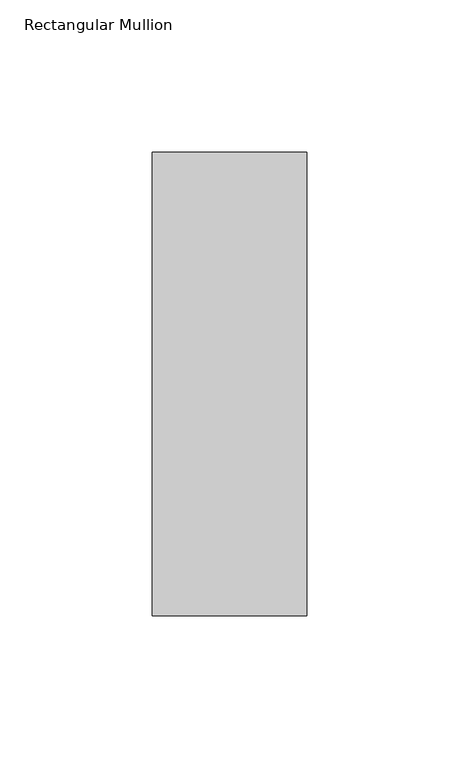
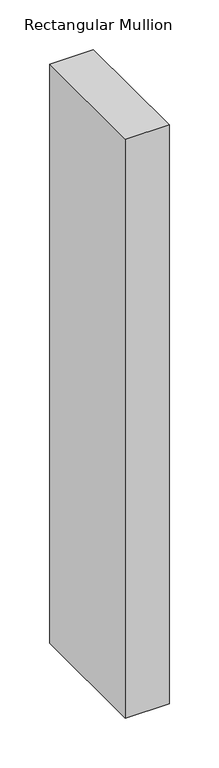
"""IFC4 building model written with IfcOpenShell, lengths in millimetres: member geometry, Rectangular Mullion."""

from ifc_helpers import new_model, si_unit, frame, origin, place, context, project, spatial, polyline, outline, extrude, source, transform, mapped, element, save


def rectangular_mullion_df243f97(model_context):
    return source(origin(), model_context, "Body", "SweptSolid", [
        extrude(outline(polyline([(0.0, 26.19375), (0.0, -126.20625), (-50.8, -126.20625), (-50.8, 26.19375), (0.0, 26.19375)])), frame((0.0, 0.0, -711.2), z_axis=(0.0, 0.0, 1.0), x_axis=(1.0, 0.0, 0.0)), (0.0, 0.0, 1.0), 711.2),
    ])


if __name__ == "__main__":
    model = new_model("IFC4")
    model_context = context("Model", 3, world=origin())
    ifc_project = project(units=[si_unit("LENGTHUNIT", "METRE", prefix="MILLI")], contexts=[model_context])
    site = spatial("IfcSite", under=ifc_project)
    building = spatial("IfcBuilding", under=site)
    placement = place(None, origin())
    rectangular_mullion_shape = rectangular_mullion_df243f97(model_context)
    element("IfcMember", 1, ObjectType="Rectangular Mullion", at=placement, inside=building, context=model_context, shape_type="MappedRepresentation", body=[
        mapped(rectangular_mullion_shape, transform((0.0, 0.0, 0.0), x_axis=(1.0, 0.0, 0.0), y_axis=(0.0, 1.0, 0.0), z_axis=(0.0, 0.0, 1.0))),
    ])
    save(model, "model.ifc")
